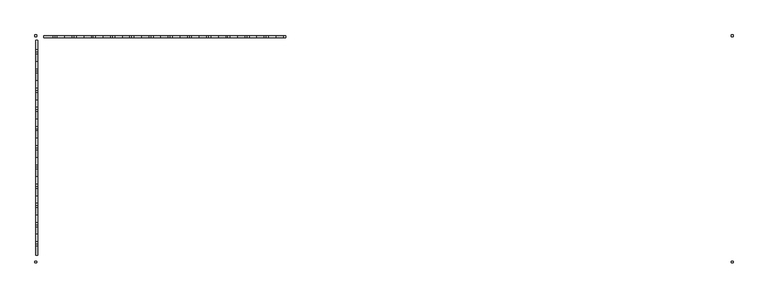
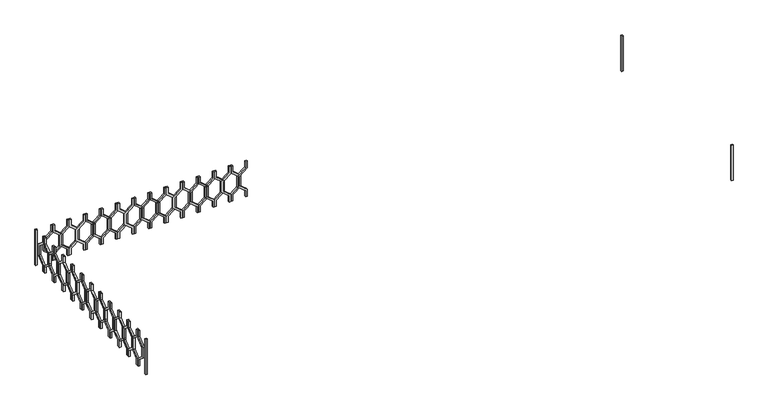
"""IFC4 building model written with IfcOpenShell, lengths in millimetres: railing geometry."""

from ifc_helpers import new_model, si_unit, frame, origin, place, context, project, spatial, polyline, outline, extrude, source, transform, mapped, element, save


def railing_23c71a13(model_context):
    return source(origin(), model_context, "Body", "SweptSolid", [
        extrude(outline(polyline([(15460.0, 44935.0112841), (15460.0, 44915.0112841), (15380.0, 44915.0112841), (15300.0, 44816.0163347), (15160.0, 44816.0163347), (15080.0, 44915.0112841), (15000.0, 44915.0112841), (15000.0, 44935.0112841), (15089.551845, 44935.0112841), (15169.551845, 44836.0163347), (15290.448155, 44836.0163347), (15370.448155, 44935.0112841), (15460.0, 44935.0112841)])), frame((0.0, 3248.1079487, 0.0), z_axis=(0.0, 1.0, 0.0), x_axis=(0.0, 0.0, 1.0)), (0.0, 0.0, 1.0), 20.0),
        extrude(outline(polyline([(15460.0, 44735.0112841), (15370.448155, 44735.0112841), (15290.448155, 44834.0062335), (15169.551845, 44834.0062335), (15089.551845, 44735.0112841), (15000.0, 44735.0112841), (15000.0, 44755.0112841), (15080.0, 44755.0112841), (15160.0, 44854.0062335), (15300.0, 44854.0062335), (15380.0, 44755.0112841), (15460.0, 44755.0112841), (15460.0, 44735.0112841)])), frame((0.0, 3248.1079487, 0.0), z_axis=(0.0, 1.0, 0.0), x_axis=(0.0, 0.0, 1.0)), (0.0, 0.0, 1.0), 20.0),
        extrude(outline(polyline([(15460.0, 44735.0112841), (15460.0, 44715.0112841), (15380.0, 44715.0112841), (15300.0, 44616.0163347), (15160.0, 44616.0163347), (15080.0, 44715.0112841), (15000.0, 44715.0112841), (15000.0, 44735.0112841), (15089.551845, 44735.0112841), (15169.551845, 44636.0163347), (15290.448155, 44636.0163347), (15370.448155, 44735.0112841), (15460.0, 44735.0112841)])), frame((0.0, 3248.1079487, 0.0), z_axis=(0.0, 1.0, 0.0), x_axis=(0.0, 0.0, 1.0)), (0.0, 0.0, 1.0), 20.0),
        extrude(outline(polyline([(15460.0, 44535.0112841), (15370.448155, 44535.0112841), (15290.448155, 44634.0062335), (15169.551845, 44634.0062335), (15089.551845, 44535.0112841), (15000.0, 44535.0112841), (15000.0, 44555.0112841), (15080.0, 44555.0112841), (15160.0, 44654.0062335), (15300.0, 44654.0062335), (15380.0, 44555.0112841), (15460.0, 44555.0112841), (15460.0, 44535.0112841)])), frame((0.0, 3248.1079487, 0.0), z_axis=(0.0, 1.0, 0.0), x_axis=(0.0, 0.0, 1.0)), (0.0, 0.0, 1.0), 20.0),
        extrude(outline(polyline([(15460.0, 44535.0112841), (15460.0, 44515.0112841), (15380.0, 44515.0112841), (15300.0, 44416.0163347), (15160.0, 44416.0163347), (15080.0, 44515.0112841), (15000.0, 44515.0112841), (15000.0, 44535.0112841), (15089.551845, 44535.0112841), (15169.551845, 44436.0163347), (15290.448155, 44436.0163347), (15370.448155, 44535.0112841), (15460.0, 44535.0112841)])), frame((0.0, 3248.1079487, 0.0), z_axis=(0.0, 1.0, 0.0), x_axis=(0.0, 0.0, 1.0)), (0.0, 0.0, 1.0), 20.0),
        extrude(outline(polyline([(15460.0, 44335.0112841), (15370.448155, 44335.0112841), (15290.448155, 44434.0062335), (15169.551845, 44434.0062335), (15089.551845, 44335.0112841), (15000.0, 44335.0112841), (15000.0, 44355.0112841), (15080.0, 44355.0112841), (15160.0, 44454.0062335), (15300.0, 44454.0062335), (15380.0, 44355.0112841), (15460.0, 44355.0112841), (15460.0, 44335.0112841)])), frame((0.0, 3248.1079487, 0.0), z_axis=(0.0, 1.0, 0.0), x_axis=(0.0, 0.0, 1.0)), (0.0, 0.0, 1.0), 20.0),
        extrude(outline(polyline([(15460.0, 44335.0112841), (15460.0, 44315.0112841), (15380.0, 44315.0112841), (15300.0, 44216.0163347), (15160.0, 44216.0163347), (15080.0, 44315.0112841), (15000.0, 44315.0112841), (15000.0, 44335.0112841), (15089.551845, 44335.0112841), (15169.551845, 44236.0163347), (15290.448155, 44236.0163347), (15370.448155, 44335.0112841), (15460.0, 44335.0112841)])), frame((0.0, 3248.1079487, 0.0), z_axis=(0.0, 1.0, 0.0), x_axis=(0.0, 0.0, 1.0)), (0.0, 0.0, 1.0), 20.0),
        extrude(outline(polyline([(15460.0, 44135.0112841), (15370.448155, 44135.0112841), (15290.448155, 44234.0062335), (15169.551845, 44234.0062335), (15089.551845, 44135.0112841), (15000.0, 44135.0112841), (15000.0, 44155.0112841), (15080.0, 44155.0112841), (15160.0, 44254.0062335), (15300.0, 44254.0062335), (15380.0, 44155.0112841), (15460.0, 44155.0112841), (15460.0, 44135.0112841)])), frame((0.0, 3248.1079487, 0.0), z_axis=(0.0, 1.0, 0.0), x_axis=(0.0, 0.0, 1.0)), (0.0, 0.0, 1.0), 20.0),
        extrude(outline(polyline([(15460.0, 44135.0112841), (15460.0, 44115.0112841), (15380.0, 44115.0112841), (15300.0, 44016.0163347), (15160.0, 44016.0163347), (15080.0, 44115.0112841), (15000.0, 44115.0112841), (15000.0, 44135.0112841), (15089.551845, 44135.0112841), (15169.551845, 44036.0163347), (15290.448155, 44036.0163347), (15370.448155, 44135.0112841), (15460.0, 44135.0112841)])), frame((0.0, 3248.1079487, 0.0), z_axis=(0.0, 1.0, 0.0), x_axis=(0.0, 0.0, 1.0)), (0.0, 0.0, 1.0), 20.0),
        extrude(outline(polyline([(15460.0, 43935.0112841), (15370.448155, 43935.0112841), (15290.448155, 44034.0062335), (15169.551845, 44034.0062335), (15089.551845, 43935.0112841), (15000.0, 43935.0112841), (15000.0, 43955.0112841), (15080.0, 43955.0112841), (15160.0, 44054.0062335), (15300.0, 44054.0062335), (15380.0, 43955.0112841), (15460.0, 43955.0112841), (15460.0, 43935.0112841)])), frame((0.0, 3248.1079487, 0.0), z_axis=(0.0, 1.0, 0.0), x_axis=(0.0, 0.0, 1.0)), (0.0, 0.0, 1.0), 20.0),
        extrude(outline(polyline([(15460.0, 43935.0112841), (15460.0, 43915.0112841), (15380.0, 43915.0112841), (15300.0, 43816.0163347), (15160.0, 43816.0163347), (15080.0, 43915.0112841), (15000.0, 43915.0112841), (15000.0, 43935.0112841), (15089.551845, 43935.0112841), (15169.551845, 43836.0163347), (15290.448155, 43836.0163347), (15370.448155, 43935.0112841), (15460.0, 43935.0112841)])), frame((0.0, 3248.1079487, 0.0), z_axis=(0.0, 1.0, 0.0), x_axis=(0.0, 0.0, 1.0)), (0.0, 0.0, 1.0), 20.0),
        extrude(outline(polyline([(15460.0, 43735.0112841), (15370.448155, 43735.0112841), (15290.448155, 43834.0062335), (15169.551845, 43834.0062335), (15089.551845, 43735.0112841), (15000.0, 43735.0112841), (15000.0, 43755.0112841), (15080.0, 43755.0112841), (15160.0, 43854.0062335), (15300.0, 43854.0062335), (15380.0, 43755.0112841), (15460.0, 43755.0112841), (15460.0, 43735.0112841)])), frame((0.0, 3248.1079487, 0.0), z_axis=(0.0, 1.0, 0.0), x_axis=(0.0, 0.0, 1.0)), (0.0, 0.0, 1.0), 20.0),
        extrude(outline(polyline([(15460.0, 43735.0112841), (15460.0, 43715.0112841), (15380.0, 43715.0112841), (15300.0, 43616.0163347), (15160.0, 43616.0163347), (15080.0, 43715.0112841), (15000.0, 43715.0112841), (15000.0, 43735.0112841), (15089.551845, 43735.0112841), (15169.551845, 43636.0163347), (15290.448155, 43636.0163347), (15370.448155, 43735.0112841), (15460.0, 43735.0112841)])), frame((0.0, 3248.1079487, 0.0), z_axis=(0.0, 1.0, 0.0), x_axis=(0.0, 0.0, 1.0)), (0.0, 0.0, 1.0), 20.0),
        extrude(outline(polyline([(15460.0, 43535.0112841), (15370.448155, 43535.0112841), (15290.448155, 43634.0062335), (15169.551845, 43634.0062335), (15089.551845, 43535.0112841), (15000.0, 43535.0112841), (15000.0, 43555.0112841), (15080.0, 43555.0112841), (15160.0, 43654.0062335), (15300.0, 43654.0062335), (15380.0, 43555.0112841), (15460.0, 43555.0112841), (15460.0, 43535.0112841)])), frame((0.0, 3248.1079487, 0.0), z_axis=(0.0, 1.0, 0.0), x_axis=(0.0, 0.0, 1.0)), (0.0, 0.0, 1.0), 20.0),
        extrude(outline(polyline([(15460.0, 43535.0112841), (15460.0, 43515.0112841), (15380.0, 43515.0112841), (15300.0, 43416.0163347), (15160.0, 43416.0163347), (15080.0, 43515.0112841), (15000.0, 43515.0112841), (15000.0, 43535.0112841), (15089.551845, 43535.0112841), (15169.551845, 43436.0163347), (15290.448155, 43436.0163347), (15370.448155, 43535.0112841), (15460.0, 43535.0112841)])), frame((0.0, 3248.1079487, 0.0), z_axis=(0.0, 1.0, 0.0), x_axis=(0.0, 0.0, 1.0)), (0.0, 0.0, 1.0), 20.0),
        extrude(outline(polyline([(15460.0, 43335.0112841), (15370.448155, 43335.0112841), (15290.448155, 43434.0062335), (15169.551845, 43434.0062335), (15089.551845, 43335.0112841), (15000.0, 43335.0112841), (15000.0, 43355.0112841), (15080.0, 43355.0112841), (15160.0, 43454.0062335), (15300.0, 43454.0062335), (15380.0, 43355.0112841), (15460.0, 43355.0112841), (15460.0, 43335.0112841)])), frame((0.0, 3248.1079487, 0.0), z_axis=(0.0, 1.0, 0.0), x_axis=(0.0, 0.0, 1.0)), (0.0, 0.0, 1.0), 20.0),
        extrude(outline(polyline([(15460.0, 43335.0112841), (15460.0, 43315.0112841), (15380.0, 43315.0112841), (15300.0, 43216.0163347), (15160.0, 43216.0163347), (15080.0, 43315.0112841), (15000.0, 43315.0112841), (15000.0, 43335.0112841), (15089.551845, 43335.0112841), (15169.551845, 43236.0163347), (15290.448155, 43236.0163347), (15370.448155, 43335.0112841), (15460.0, 43335.0112841)])), frame((0.0, 3248.1079487, 0.0), z_axis=(0.0, 1.0, 0.0), x_axis=(0.0, 0.0, 1.0)), (0.0, 0.0, 1.0), 20.0),
        extrude(outline(polyline([(15460.0, 43135.0112841), (15370.448155, 43135.0112841), (15290.448155, 43234.0062335), (15169.551845, 43234.0062335), (15089.551845, 43135.0112841), (15000.0, 43135.0112841), (15000.0, 43155.0112841), (15080.0, 43155.0112841), (15160.0, 43254.0062335), (15300.0, 43254.0062335), (15380.0, 43155.0112841), (15460.0, 43155.0112841), (15460.0, 43135.0112841)])), frame((0.0, 3248.1079487, 0.0), z_axis=(0.0, 1.0, 0.0), x_axis=(0.0, 0.0, 1.0)), (0.0, 0.0, 1.0), 20.0),
        extrude(outline(polyline([(15460.0, 43135.0112841), (15460.0, 43115.0112841), (15380.0, 43115.0112841), (15300.0, 43016.0163347), (15160.0, 43016.0163347), (15080.0, 43115.0112841), (15000.0, 43115.0112841), (15000.0, 43135.0112841), (15089.551845, 43135.0112841), (15169.551845, 43036.0163347), (15290.448155, 43036.0163347), (15370.448155, 43135.0112841), (15460.0, 43135.0112841)])), frame((0.0, 3248.1079487, 0.0), z_axis=(0.0, 1.0, 0.0), x_axis=(0.0, 0.0, 1.0)), (0.0, 0.0, 1.0), 20.0),
        extrude(outline(polyline([(15460.0, 42935.0112841), (15370.448155, 42935.0112841), (15290.448155, 43034.0062335), (15169.551845, 43034.0062335), (15089.551845, 42935.0112841), (15000.0, 42935.0112841), (15000.0, 42955.0112841), (15080.0, 42955.0112841), (15160.0, 43054.0062335), (15300.0, 43054.0062335), (15380.0, 42955.0112841), (15460.0, 42955.0112841), (15460.0, 42935.0112841)])), frame((0.0, 3248.1079487, 0.0), z_axis=(0.0, 1.0, 0.0), x_axis=(0.0, 0.0, 1.0)), (0.0, 0.0, 1.0), 20.0),
        extrude(outline(polyline([(15460.0, 42935.0112841), (15460.0, 42915.0112841), (15380.0, 42915.0112841), (15300.0, 42816.0163347), (15160.0, 42816.0163347), (15080.0, 42915.0112841), (15000.0, 42915.0112841), (15000.0, 42935.0112841), (15089.551845, 42935.0112841), (15169.551845, 42836.0163347), (15290.448155, 42836.0163347), (15370.448155, 42935.0112841), (15460.0, 42935.0112841)])), frame((0.0, 3248.1079487, 0.0), z_axis=(0.0, 1.0, 0.0), x_axis=(0.0, 0.0, 1.0)), (0.0, 0.0, 1.0), 20.0),
        extrude(outline(polyline([(15460.0, 42735.0112841), (15370.448155, 42735.0112841), (15290.448155, 42834.0062335), (15169.551845, 42834.0062335), (15089.551845, 42735.0112841), (15000.0, 42735.0112841), (15000.0, 42755.0112841), (15080.0, 42755.0112841), (15160.0, 42854.0062335), (15300.0, 42854.0062335), (15380.0, 42755.0112841), (15460.0, 42755.0112841), (15460.0, 42735.0112841)])), frame((0.0, 3248.1079487, 0.0), z_axis=(0.0, 1.0, 0.0), x_axis=(0.0, 0.0, 1.0)), (0.0, 0.0, 1.0), 20.0),
        extrude(outline(polyline([(15460.0, 42735.0112841), (15460.0, 42715.0112841), (15380.0, 42715.0112841), (15300.0, 42616.0163347), (15160.0, 42616.0163347), (15080.0, 42715.0112841), (15000.0, 42715.0112841), (15000.0, 42735.0112841), (15089.551845, 42735.0112841), (15169.551845, 42636.0163347), (15290.448155, 42636.0163347), (15370.448155, 42735.0112841), (15460.0, 42735.0112841)])), frame((0.0, 3248.1079487, 0.0), z_axis=(0.0, 1.0, 0.0), x_axis=(0.0, 0.0, 1.0)), (0.0, 0.0, 1.0), 20.0),
        extrude(outline(polyline([(15460.0, 42535.0112841), (15370.448155, 42535.0112841), (15290.448155, 42634.0062335), (15169.551845, 42634.0062335), (15089.551845, 42535.0112841), (15000.0, 42535.0112841), (15000.0, 42555.0112841), (15080.0, 42555.0112841), (15160.0, 42654.0062335), (15300.0, 42654.0062335), (15380.0, 42555.0112841), (15460.0, 42555.0112841), (15460.0, 42535.0112841)])), frame((0.0, 3248.1079487, 0.0), z_axis=(0.0, 1.0, 0.0), x_axis=(0.0, 0.0, 1.0)), (0.0, 0.0, 1.0), 20.0),
        extrude(outline(polyline([(15460.0, 42535.0112841), (15460.0, 42515.0112841), (15380.0, 42515.0112841), (15300.0, 42416.0163347), (15160.0, 42416.0163347), (15080.0, 42515.0112841), (15000.0, 42515.0112841), (15000.0, 42535.0112841), (15089.551845, 42535.0112841), (15169.551845, 42436.0163347), (15290.448155, 42436.0163347), (15370.448155, 42535.0112841), (15460.0, 42535.0112841)])), frame((0.0, 3248.1079487, 0.0), z_axis=(0.0, 1.0, 0.0), x_axis=(0.0, 0.0, 1.0)), (0.0, 0.0, 1.0), 20.0),
        extrude(outline(polyline([(3103.1079487, 15460.0), (3123.1079487, 15460.0), (3123.1079487, 15380.0), (3222.102898, 15300.0), (3222.102898, 15160.0), (3123.1079487, 15080.0), (3123.1079487, 15000.0), (3103.1079487, 15000.0), (3103.1079487, 15089.551845), (3202.102898, 15169.551845), (3202.102898, 15290.448155), (3103.1079487, 15370.448155), (3103.1079487, 15460.0)])), frame((42335.0112841, 0.0, 0.0), z_axis=(1.0, 0.0, 0.0), x_axis=(0.0, 1.0, 0.0)), (0.0, 0.0, 1.0), 20.0),
        extrude(outline(polyline([(3103.1079487, 15460.0), (3103.1079487, 15370.448155), (3004.1129993, 15290.448155), (3004.1129993, 15169.551845), (3103.1079487, 15089.551845), (3103.1079487, 15000.0), (3083.1079487, 15000.0), (3083.1079487, 15080.0), (2984.1129993, 15160.0), (2984.1129993, 15300.0), (3083.1079487, 15380.0), (3083.1079487, 15460.0), (3103.1079487, 15460.0)])), frame((42335.0112841, 0.0, 0.0), z_axis=(1.0, 0.0, 0.0), x_axis=(0.0, 1.0, 0.0)), (0.0, 0.0, 1.0), 20.0),
        extrude(outline(polyline([(2903.1079487, 15460.0), (2923.1079487, 15460.0), (2923.1079487, 15380.0), (3022.102898, 15300.0), (3022.102898, 15160.0), (2923.1079487, 15080.0), (2923.1079487, 15000.0), (2903.1079487, 15000.0), (2903.1079487, 15089.551845), (3002.102898, 15169.551845), (3002.102898, 15290.448155), (2903.1079487, 15370.448155), (2903.1079487, 15460.0)])), frame((42335.0112841, 0.0, 0.0), z_axis=(1.0, 0.0, 0.0), x_axis=(0.0, 1.0, 0.0)), (0.0, 0.0, 1.0), 20.0),
        extrude(outline(polyline([(2903.1079487, 15460.0), (2903.1079487, 15370.448155), (2804.1129993, 15290.448155), (2804.1129993, 15169.551845), (2903.1079487, 15089.551845), (2903.1079487, 15000.0), (2883.1079487, 15000.0), (2883.1079487, 15080.0), (2784.1129993, 15160.0), (2784.1129993, 15300.0), (2883.1079487, 15380.0), (2883.1079487, 15460.0), (2903.1079487, 15460.0)])), frame((42335.0112841, 0.0, 0.0), z_axis=(1.0, 0.0, 0.0), x_axis=(0.0, 1.0, 0.0)), (0.0, 0.0, 1.0), 20.0),
        extrude(outline(polyline([(2703.1079487, 15460.0), (2723.1079487, 15460.0), (2723.1079487, 15380.0), (2822.102898, 15300.0), (2822.102898, 15160.0), (2723.1079487, 15080.0), (2723.1079487, 15000.0), (2703.1079487, 15000.0), (2703.1079487, 15089.551845), (2802.102898, 15169.551845), (2802.102898, 15290.448155), (2703.1079487, 15370.448155), (2703.1079487, 15460.0)])), frame((42335.0112841, 0.0, 0.0), z_axis=(1.0, 0.0, 0.0), x_axis=(0.0, 1.0, 0.0)), (0.0, 0.0, 1.0), 20.0),
        extrude(outline(polyline([(2703.1079487, 15460.0), (2703.1079487, 15370.448155), (2604.1129993, 15290.448155), (2604.1129993, 15169.551845), (2703.1079487, 15089.551845), (2703.1079487, 15000.0), (2683.1079487, 15000.0), (2683.1079487, 15080.0), (2584.1129993, 15160.0), (2584.1129993, 15300.0), (2683.1079487, 15380.0), (2683.1079487, 15460.0), (2703.1079487, 15460.0)])), frame((42335.0112841, 0.0, 0.0), z_axis=(1.0, 0.0, 0.0), x_axis=(0.0, 1.0, 0.0)), (0.0, 0.0, 1.0), 20.0),
        extrude(outline(polyline([(2503.1079487, 15460.0), (2523.1079487, 15460.0), (2523.1079487, 15380.0), (2622.102898, 15300.0), (2622.102898, 15160.0), (2523.1079487, 15080.0), (2523.1079487, 15000.0), (2503.1079487, 15000.0), (2503.1079487, 15089.551845), (2602.102898, 15169.551845), (2602.102898, 15290.448155), (2503.1079487, 15370.448155), (2503.1079487, 15460.0)])), frame((42335.0112841, 0.0, 0.0), z_axis=(1.0, 0.0, 0.0), x_axis=(0.0, 1.0, 0.0)), (0.0, 0.0, 1.0), 20.0),
        extrude(outline(polyline([(2503.1079487, 15460.0), (2503.1079487, 15370.448155), (2404.1129993, 15290.448155), (2404.1129993, 15169.551845), (2503.1079487, 15089.551845), (2503.1079487, 15000.0), (2483.1079487, 15000.0), (2483.1079487, 15080.0), (2384.1129993, 15160.0), (2384.1129993, 15300.0), (2483.1079487, 15380.0), (2483.1079487, 15460.0), (2503.1079487, 15460.0)])), frame((42335.0112841, 0.0, 0.0), z_axis=(1.0, 0.0, 0.0), x_axis=(0.0, 1.0, 0.0)), (0.0, 0.0, 1.0), 20.0),
        extrude(outline(polyline([(2303.1079487, 15460.0), (2323.1079487, 15460.0), (2323.1079487, 15380.0), (2422.102898, 15300.0), (2422.102898, 15160.0), (2323.1079487, 15080.0), (2323.1079487, 15000.0), (2303.1079487, 15000.0), (2303.1079487, 15089.551845), (2402.102898, 15169.551845), (2402.102898, 15290.448155), (2303.1079487, 15370.448155), (2303.1079487, 15460.0)])), frame((42335.0112841, 0.0, 0.0), z_axis=(1.0, 0.0, 0.0), x_axis=(0.0, 1.0, 0.0)), (0.0, 0.0, 1.0), 20.0),
        extrude(outline(polyline([(2303.1079487, 15460.0), (2303.1079487, 15370.448155), (2204.1129993, 15290.448155), (2204.1129993, 15169.551845), (2303.1079487, 15089.551845), (2303.1079487, 15000.0), (2283.1079487, 15000.0), (2283.1079487, 15080.0), (2184.1129993, 15160.0), (2184.1129993, 15300.0), (2283.1079487, 15380.0), (2283.1079487, 15460.0), (2303.1079487, 15460.0)])), frame((42335.0112841, 0.0, 0.0), z_axis=(1.0, 0.0, 0.0), x_axis=(0.0, 1.0, 0.0)), (0.0, 0.0, 1.0), 20.0),
        extrude(outline(polyline([(2103.1079487, 15460.0), (2123.1079487, 15460.0), (2123.1079487, 15380.0), (2222.102898, 15300.0), (2222.102898, 15160.0), (2123.1079487, 15080.0), (2123.1079487, 15000.0), (2103.1079487, 15000.0), (2103.1079487, 15089.551845), (2202.102898, 15169.551845), (2202.102898, 15290.448155), (2103.1079487, 15370.448155), (2103.1079487, 15460.0)])), frame((42335.0112841, 0.0, 0.0), z_axis=(1.0, 0.0, 0.0), x_axis=(0.0, 1.0, 0.0)), (0.0, 0.0, 1.0), 20.0),
        extrude(outline(polyline([(2103.1079487, 15460.0), (2103.1079487, 15370.448155), (2004.1129993, 15290.448155), (2004.1129993, 15169.551845), (2103.1079487, 15089.551845), (2103.1079487, 15000.0), (2083.1079487, 15000.0), (2083.1079487, 15080.0), (1984.1129993, 15160.0), (1984.1129993, 15300.0), (2083.1079487, 15380.0), (2083.1079487, 15460.0), (2103.1079487, 15460.0)])), frame((42335.0112841, 0.0, 0.0), z_axis=(1.0, 0.0, 0.0), x_axis=(0.0, 1.0, 0.0)), (0.0, 0.0, 1.0), 20.0),
        extrude(outline(polyline([(1903.1079487, 15460.0), (1923.1079487, 15460.0), (1923.1079487, 15380.0), (2022.102898, 15300.0), (2022.102898, 15160.0), (1923.1079487, 15080.0), (1923.1079487, 15000.0), (1903.1079487, 15000.0), (1903.1079487, 15089.551845), (2002.102898, 15169.551845), (2002.102898, 15290.448155), (1903.1079487, 15370.448155), (1903.1079487, 15460.0)])), frame((42335.0112841, 0.0, 0.0), z_axis=(1.0, 0.0, 0.0), x_axis=(0.0, 1.0, 0.0)), (0.0, 0.0, 1.0), 20.0),
        extrude(outline(polyline([(1903.1079487, 15460.0), (1903.1079487, 15370.448155), (1804.1129993, 15290.448155), (1804.1129993, 15169.551845), (1903.1079487, 15089.551845), (1903.1079487, 15000.0), (1883.1079487, 15000.0), (1883.1079487, 15080.0), (1784.1129993, 15160.0), (1784.1129993, 15300.0), (1883.1079487, 15380.0), (1883.1079487, 15460.0), (1903.1079487, 15460.0)])), frame((42335.0112841, 0.0, 0.0), z_axis=(1.0, 0.0, 0.0), x_axis=(0.0, 1.0, 0.0)), (0.0, 0.0, 1.0), 20.0),
        extrude(outline(polyline([(1703.1079487, 15460.0), (1723.1079487, 15460.0), (1723.1079487, 15380.0), (1822.102898, 15300.0), (1822.102898, 15160.0), (1723.1079487, 15080.0), (1723.1079487, 15000.0), (1703.1079487, 15000.0), (1703.1079487, 15089.551845), (1802.102898, 15169.551845), (1802.102898, 15290.448155), (1703.1079487, 15370.448155), (1703.1079487, 15460.0)])), frame((42335.0112841, 0.0, 0.0), z_axis=(1.0, 0.0, 0.0), x_axis=(0.0, 1.0, 0.0)), (0.0, 0.0, 1.0), 20.0),
        extrude(outline(polyline([(1703.1079487, 15460.0), (1703.1079487, 15370.448155), (1604.1129993, 15290.448155), (1604.1129993, 15169.551845), (1703.1079487, 15089.551845), (1703.1079487, 15000.0), (1683.1079487, 15000.0), (1683.1079487, 15080.0), (1584.1129993, 15160.0), (1584.1129993, 15300.0), (1683.1079487, 15380.0), (1683.1079487, 15460.0), (1703.1079487, 15460.0)])), frame((42335.0112841, 0.0, 0.0), z_axis=(1.0, 0.0, 0.0), x_axis=(0.0, 1.0, 0.0)), (0.0, 0.0, 1.0), 20.0),
        extrude(outline(polyline([(1503.1079487, 15460.0), (1523.1079487, 15460.0), (1523.1079487, 15380.0), (1622.102898, 15300.0), (1622.102898, 15160.0), (1523.1079487, 15080.0), (1523.1079487, 15000.0), (1503.1079487, 15000.0), (1503.1079487, 15089.551845), (1602.102898, 15169.551845), (1602.102898, 15290.448155), (1503.1079487, 15370.448155), (1503.1079487, 15460.0)])), frame((42335.0112841, 0.0, 0.0), z_axis=(1.0, 0.0, 0.0), x_axis=(0.0, 1.0, 0.0)), (0.0, 0.0, 1.0), 20.0),
        extrude(outline(polyline([(1503.1079487, 15460.0), (1503.1079487, 15370.448155), (1404.1129993, 15290.448155), (1404.1129993, 15169.551845), (1503.1079487, 15089.551845), (1503.1079487, 15000.0), (1483.1079487, 15000.0), (1483.1079487, 15080.0), (1384.1129993, 15160.0), (1384.1129993, 15300.0), (1483.1079487, 15380.0), (1483.1079487, 15460.0), (1503.1079487, 15460.0)])), frame((42335.0112841, 0.0, 0.0), z_axis=(1.0, 0.0, 0.0), x_axis=(0.0, 1.0, 0.0)), (0.0, 0.0, 1.0), 20.0),
        extrude(outline(polyline([(1303.1079487, 15460.0), (1323.1079487, 15460.0), (1323.1079487, 15380.0), (1422.102898, 15300.0), (1422.102898, 15160.0), (1323.1079487, 15080.0), (1323.1079487, 15000.0), (1303.1079487, 15000.0), (1303.1079487, 15089.551845), (1402.102898, 15169.551845), (1402.102898, 15290.448155), (1303.1079487, 15370.448155), (1303.1079487, 15460.0)])), frame((42335.0112841, 0.0, 0.0), z_axis=(1.0, 0.0, 0.0), x_axis=(0.0, 1.0, 0.0)), (0.0, 0.0, 1.0), 20.0),
        extrude(outline(polyline([(1303.1079487, 15460.0), (1303.1079487, 15370.448155), (1204.1129993, 15290.448155), (1204.1129993, 15169.551845), (1303.1079487, 15089.551845), (1303.1079487, 15000.0), (1283.1079487, 15000.0), (1283.1079487, 15080.0), (1184.1129993, 15160.0), (1184.1129993, 15300.0), (1283.1079487, 15380.0), (1283.1079487, 15460.0), (1303.1079487, 15460.0)])), frame((42335.0112841, 0.0, 0.0), z_axis=(1.0, 0.0, 0.0), x_axis=(0.0, 1.0, 0.0)), (0.0, 0.0, 1.0), 20.0),
        extrude(outline(polyline([(1103.1079487, 15460.0), (1123.1079487, 15460.0), (1123.1079487, 15380.0), (1222.102898, 15300.0), (1222.102898, 15160.0), (1123.1079487, 15080.0), (1123.1079487, 15000.0), (1103.1079487, 15000.0), (1103.1079487, 15089.551845), (1202.102898, 15169.551845), (1202.102898, 15290.448155), (1103.1079487, 15370.448155), (1103.1079487, 15460.0)])), frame((42335.0112841, 0.0, 0.0), z_axis=(1.0, 0.0, 0.0), x_axis=(0.0, 1.0, 0.0)), (0.0, 0.0, 1.0), 20.0),
        extrude(outline(polyline([(1103.1079487, 15460.0), (1103.1079487, 15370.448155), (1004.1129993, 15290.448155), (1004.1129993, 15169.551845), (1103.1079487, 15089.551845), (1103.1079487, 15000.0), (1083.1079487, 15000.0), (1083.1079487, 15080.0), (984.1129993, 15160.0), (984.1129993, 15300.0), (1083.1079487, 15380.0), (1083.1079487, 15460.0), (1103.1079487, 15460.0)])), frame((42335.0112841, 0.0, 0.0), z_axis=(1.0, 0.0, 0.0), x_axis=(0.0, 1.0, 0.0)), (0.0, 0.0, 1.0), 20.0),
        extrude(outline(polyline([(49575.0112841, 3278.1079487), (49595.0112841, 3278.1079487), (49595.0112841, 3258.1079487), (49575.0112841, 3258.1079487), (49575.0112841, 3278.1079487)])), frame((0.0, 0.0, 15000.0), z_axis=(0.0, 0.0, 1.0), x_axis=(1.0, 0.0, 0.0)), (0.0, 0.0, 1.0), 460.0),
        extrude(outline(polyline([(42325.0112841, 3258.1079487), (42325.0112841, 3278.1079487), (42345.0112841, 3278.1079487), (42345.0112841, 3258.1079487), (42325.0112841, 3258.1079487)])), frame((0.0, 0.0, 15000.0), z_axis=(0.0, 0.0, 1.0), x_axis=(1.0, 0.0, 0.0)), (0.0, 0.0, 1.0), 460.0),
        extrude(outline(polyline([(49595.0112841, 923.1079487), (49595.0112841, 903.1079487), (49575.0112841, 903.1079487), (49575.0112841, 923.1079487), (49595.0112841, 923.1079487)])), frame((0.0, 0.0, 15000.0), z_axis=(0.0, 0.0, 1.0), x_axis=(1.0, 0.0, 0.0)), (0.0, 0.0, 1.0), 460.0),
        extrude(outline(polyline([(42325.0112841, 903.1079487), (42325.0112841, 923.1079487), (42345.0112841, 923.1079487), (42345.0112841, 903.1079487), (42325.0112841, 903.1079487)])), frame((0.0, 0.0, 15000.0), z_axis=(0.0, 0.0, 1.0), x_axis=(1.0, 0.0, 0.0)), (0.0, 0.0, 1.0), 460.0),
    ])


if __name__ == "__main__":
    model = new_model("IFC4")
    model_context = context("Model", 3, world=origin())
    ifc_project = project(units=[si_unit("LENGTHUNIT", "METRE", prefix="MILLI")], contexts=[model_context])
    site = spatial("IfcSite", under=ifc_project)
    building = spatial("IfcBuilding", under=site)
    placement = place(None, origin())
    railing_shape = railing_23c71a13(model_context)
    element("IfcRailing", 1, at=placement, inside=building, context=model_context, shape_type="MappedRepresentation", body=[
        mapped(railing_shape, transform((0.0, 0.0, 0.0), x_axis=(1.0, 0.0, 0.0), y_axis=(0.0, 1.0, 0.0), z_axis=(0.0, 0.0, 1.0))),
    ])
    save(model, "model.ifc")
